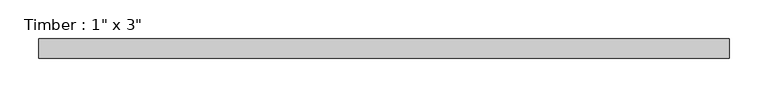
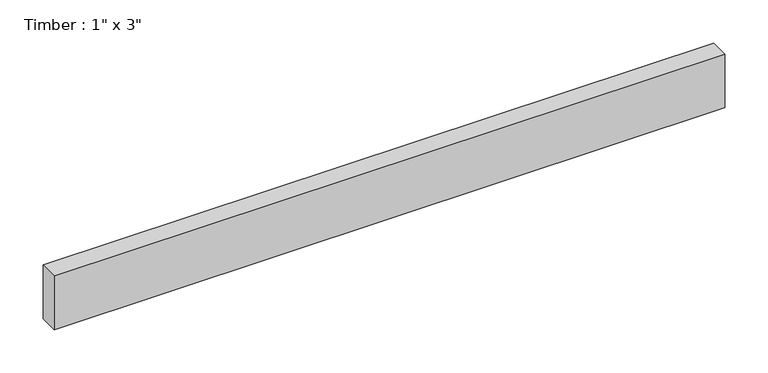
"""IFC4 building model written with IfcOpenShell, lengths in millimetres: beam geometry."""

from ifc_helpers import new_model, si_unit, frame, origin, place, context, project, spatial, polyline, outline, extrude, source, transform, mapped, element, save


def beam_48b56d4c(model_context):
    return source(origin(), model_context, "Body", "SweptSolid", [
        extrude(outline(polyline([(448.5846587, 12.7), (448.5846587, -12.7), (-448.5846587, -12.7), (-448.5846587, 12.7), (448.5846587, 12.7)])), frame((0.0, 0.0, -38.1), z_axis=(0.0, 0.0, 1.0), x_axis=(1.0, 0.0, 0.0)), (0.0, 0.0, 1.0), 76.2),
    ])


if __name__ == "__main__":
    model = new_model("IFC4")
    model_context = context("Model", 3, world=origin())
    ifc_project = project(units=[si_unit("LENGTHUNIT", "METRE", prefix="MILLI")], contexts=[model_context])
    site = spatial("IfcSite", under=ifc_project)
    building = spatial("IfcBuilding", under=site)
    placement = place(None, origin())
    beam_shape = beam_48b56d4c(model_context)
    element("IfcBeam", 1, ObjectType="Timber : 1\" x 3\"", at=placement, inside=building, context=model_context, shape_type="MappedRepresentation", body=[
        mapped(beam_shape, transform((0.0, 0.0, 0.0), x_axis=(1.0, 0.0, 0.0), y_axis=(0.0, 1.0, 0.0), z_axis=(0.0, 0.0, 1.0))),
    ])
    save(model, "model.ifc")
